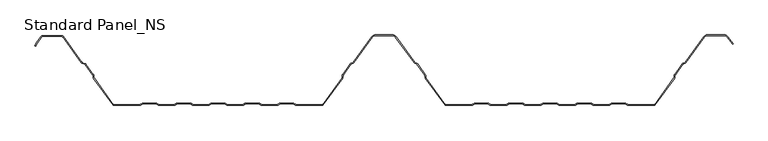
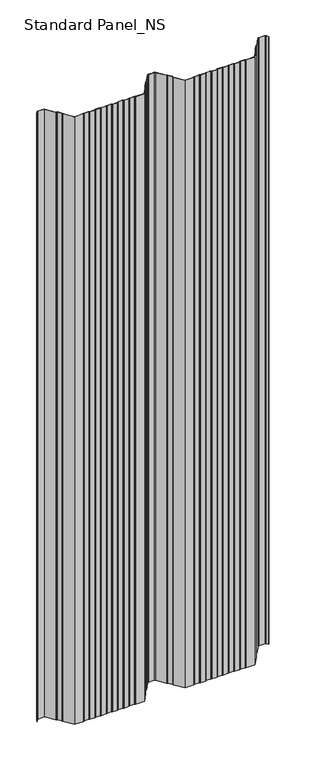
"""IFC4 building model written with IfcOpenShell, lengths in millimetres: proxy geometry, Standard Panel_NS."""

from ifc_helpers import new_model, si_unit, point, frame, frame_2d, origin, place, context, project, spatial, polyline, circle_curve, trimmed, segment, composite_curve, outline, extrude, source, transform, mapped, element, save


def standard_panel_ns_ff594134(model_context):
    return source(origin(), model_context, "Body", "SweptSolid", [
        extrude(outline(composite_curve([segment(trimmed(circle_curve(frame_2d((-489.5977663, 97.2513951)), 2.7486049), [point((-491.8230655, 98.864737))], [point((-489.5977663, 100.0))], False, "CARTESIAN"), True, "CONTINUOUS"), segment(polyline([(-489.5977663, 100.0), (-462.4022334, 100.0)]), True, "CONTINUOUS"), segment(trimmed(circle_curve(frame_2d((-462.4022334, 97.2513951)), 2.7486049), [point((-462.4022334, 100.0))], [point((-460.1769342, 98.864737))], False, "CARTESIAN"), True, "CONTINUOUS"), segment(polyline([(-460.1769342, 98.864737), (-433.3812186, 61.9051293)]), True, "CONTINUOUS"), segment(trimmed(circle_curve(frame_2d((-431.9655298, 62.9315037)), 1.7486049), [point((-433.3812186, 61.9051293))], [point((-432.574124, 61.2922257))], True, "CARTESIAN"), True, "CONTINUOUS"), segment(polyline([(-432.574124, 61.2922257), (-428.7804508, 59.8837962)]), True, "CONTINUOUS"), segment(trimmed(circle_curve(frame_2d((-429.7370906, 57.3070406)), 2.7486049), [point((-428.7804508, 59.8837962))], [point((-427.5117914, 58.9203825))], False, "CARTESIAN"), True, "CONTINUOUS"), segment(polyline([(-427.5117914, 58.9203825), (-416.762254, 44.0934344)]), True, "CONTINUOUS"), segment(trimmed(circle_curve(frame_2d((-418.9875532, 42.4800924)), 2.7486049), [point((-416.762254, 44.0934344))], [point((-416.2410712, 42.5881001))], False, "CARTESIAN"), True, "CONTINUOUS"), segment(polyline([(-416.2410712, 42.5881001), (-416.1528959, 40.3459275)]), True, "CONTINUOUS"), segment(trimmed(circle_curve(frame_2d((-414.4056416, 40.4146398)), 1.7486049), [point((-416.1528959, 40.3459275))], [point((-415.8213303, 39.3882654))], True, "CARTESIAN"), True, "CONTINUOUS"), segment(polyline([(-415.8213303, 39.3882654), (-387.9898379, 1.0), (-350.1655438, 1.0)]), True, "CONTINUOUS"), segment(trimmed(circle_curve(frame_2d((-350.1655438, 2.7486049)), 1.7486049), [point((-350.1655438, 1.0))], [point((-349.1955923, 1.2936777))], True, "CARTESIAN"), True, "CONTINUOUS"), segment(polyline([(-349.1955923, 1.2936777), (-347.3285499, 2.5383726)]), True, "CONTINUOUS"), segment(trimmed(circle_curve(frame_2d((-345.8038982, 0.2513951)), 2.7486049), [point((-347.3285499, 2.5383726))], [point((-345.8038982, 3.0))], False, "CARTESIAN"), True, "CONTINUOUS"), segment(polyline([(-345.8038982, 3.0), (-326.8627681, 3.0)]), True, "CONTINUOUS"), segment(trimmed(circle_curve(frame_2d((-326.8627681, 0.2513951)), 2.7486049), [point((-326.8627681, 3.0))], [point((-325.3381165, 2.5383726))], False, "CARTESIAN"), True, "CONTINUOUS"), segment(polyline([(-325.3381165, 2.5383726), (-323.4710741, 1.2936777)]), True, "CONTINUOUS"), segment(trimmed(circle_curve(frame_2d((-322.5011226, 2.7486049)), 1.7486049), [point((-323.4710741, 1.2936777))], [point((-322.5011226, 1.0))], True, "CARTESIAN"), True, "CONTINUOUS"), segment(polyline([(-322.5011226, 1.0), (-300.9988771, 1.0)]), True, "CONTINUOUS"), segment(trimmed(circle_curve(frame_2d((-300.9988771, 2.7486049)), 1.7486049), [point((-300.9988771, 1.0))], [point((-300.0289256, 1.2936777))], True, "CARTESIAN"), True, "CONTINUOUS"), segment(polyline([(-300.0289256, 1.2936777), (-298.1618832, 2.5383726)]), True, "CONTINUOUS"), segment(trimmed(circle_curve(frame_2d((-296.6372316, 0.2513951)), 2.7486049), [point((-298.1618832, 2.5383726))], [point((-296.6372316, 3.0))], False, "CARTESIAN"), True, "CONTINUOUS"), segment(polyline([(-296.6372316, 3.0), (-277.6961015, 3.0)]), True, "CONTINUOUS"), segment(trimmed(circle_curve(frame_2d((-277.6961015, 0.2513951)), 2.7486049), [point((-277.6961015, 3.0))], [point((-276.1714498, 2.5383726))], False, "CARTESIAN"), True, "CONTINUOUS"), segment(polyline([(-276.1714498, 2.5383726), (-274.3044074, 1.2936777)]), True, "CONTINUOUS"), segment(trimmed(circle_curve(frame_2d((-273.3344559, 2.7486049)), 1.7486049), [point((-274.3044074, 1.2936777))], [point((-273.3344559, 1.0))], True, "CARTESIAN"), True, "CONTINUOUS"), segment(polyline([(-273.3344559, 1.0), (-251.8322104, 1.0)]), True, "CONTINUOUS"), segment(trimmed(circle_curve(frame_2d((-251.8322104, 2.7486049)), 1.7486049), [point((-251.8322104, 1.0))], [point((-250.862259, 1.2936777))], True, "CARTESIAN"), True, "CONTINUOUS"), segment(polyline([(-250.862259, 1.2936777), (-248.9952166, 2.5383726)]), True, "CONTINUOUS"), segment(trimmed(circle_curve(frame_2d((-247.4705649, 0.2513951)), 2.7486049), [point((-248.9952166, 2.5383726))], [point((-247.4705649, 3.0))], False, "CARTESIAN"), True, "CONTINUOUS"), segment(polyline([(-247.4705649, 3.0), (-228.5294348, 3.0)]), True, "CONTINUOUS"), segment(trimmed(circle_curve(frame_2d((-228.5294348, 0.2513951)), 2.7486049), [point((-228.5294348, 3.0))], [point((-227.0047831, 2.5383726))], False, "CARTESIAN"), True, "CONTINUOUS"), segment(polyline([(-227.0047831, 2.5383726), (-225.1377407, 1.2936777)]), True, "CONTINUOUS"), segment(trimmed(circle_curve(frame_2d((-224.1677892, 2.7486049)), 1.7486049), [point((-225.1377407, 1.2936777))], [point((-224.1677892, 1.0))], True, "CARTESIAN"), True, "CONTINUOUS"), segment(polyline([(-224.1677892, 1.0), (-202.6655438, 1.0)]), True, "CONTINUOUS"), segment(trimmed(circle_curve(frame_2d((-202.6655438, 2.7486049)), 1.7486049), [point((-202.6655438, 1.0))], [point((-201.6955923, 1.2936777))], True, "CARTESIAN"), True, "CONTINUOUS"), segment(polyline([(-201.6955923, 1.2936777), (-199.8285499, 2.5383726)]), True, "CONTINUOUS"), segment(trimmed(circle_curve(frame_2d((-198.3038982, 0.2513951)), 2.7486049), [point((-199.8285499, 2.5383726))], [point((-198.3038982, 3.0))], False, "CARTESIAN"), True, "CONTINUOUS"), segment(polyline([(-198.3038982, 3.0), (-179.3627681, 3.0)]), True, "CONTINUOUS"), segment(trimmed(circle_curve(frame_2d((-179.3627681, 0.2513951)), 2.7486049), [point((-179.3627681, 3.0))], [point((-177.8381165, 2.5383726))], False, "CARTESIAN"), True, "CONTINUOUS"), segment(polyline([(-177.8381165, 2.5383726), (-175.9710741, 1.2936777)]), True, "CONTINUOUS"), segment(trimmed(circle_curve(frame_2d((-175.0011226, 2.7486049)), 1.7486049), [point((-175.9710741, 1.2936777))], [point((-175.0011226, 1.0))], True, "CARTESIAN"), True, "CONTINUOUS"), segment(polyline([(-175.0011226, 1.0), (-153.4988771, 1.0)]), True, "CONTINUOUS"), segment(trimmed(circle_curve(frame_2d((-153.4988771, 2.7486049)), 1.7486049), [point((-153.4988771, 1.0))], [point((-152.5289256, 1.2936777))], True, "CARTESIAN"), True, "CONTINUOUS"), segment(polyline([(-152.5289256, 1.2936777), (-150.6618832, 2.5383726)]), True, "CONTINUOUS"), segment(trimmed(circle_curve(frame_2d((-149.1372316, 0.2513951)), 2.7486049), [point((-150.6618832, 2.5383726))], [point((-149.1372316, 3.0))], False, "CARTESIAN"), True, "CONTINUOUS"), segment(polyline([(-149.1372316, 3.0), (-130.1961015, 3.0)]), True, "CONTINUOUS"), segment(trimmed(circle_curve(frame_2d((-130.1961015, 0.2513951)), 2.7486049), [point((-130.1961015, 3.0))], [point((-128.6714498, 2.5383726))], False, "CARTESIAN"), True, "CONTINUOUS"), segment(polyline([(-128.6714498, 2.5383726), (-126.8044074, 1.2936777)]), True, "CONTINUOUS"), segment(trimmed(circle_curve(frame_2d((-125.8344559, 2.7486049)), 1.7486049), [point((-126.8044074, 1.2936777))], [point((-125.8344559, 1.0))], True, "CARTESIAN"), True, "CONTINUOUS"), segment(polyline([(-125.8344559, 1.0), (-88.0101618, 1.0), (-60.1786694, 39.3882654)]), True, "CONTINUOUS"), segment(trimmed(circle_curve(frame_2d((-61.5943581, 40.4146398)), 1.7486049), [point((-60.1786694, 39.3882654))], [point((-59.8471038, 40.3459275))], True, "CARTESIAN"), True, "CONTINUOUS"), segment(polyline([(-59.8471038, 40.3459275), (-59.7589285, 42.5881001)]), True, "CONTINUOUS"), segment(trimmed(circle_curve(frame_2d((-57.0124465, 42.4800924)), 2.7486049), [point((-59.7589285, 42.5881001))], [point((-59.2377457, 44.0934344))], False, "CARTESIAN"), True, "CONTINUOUS"), segment(polyline([(-59.2377457, 44.0934344), (-48.1199166, 59.4283711)]), True, "CONTINUOUS"), segment(trimmed(circle_curve(frame_2d((-45.8946174, 57.8150291)), 2.7486049), [point((-48.1199166, 59.4283711))], [point((-46.8512572, 60.3917847))], False, "CARTESIAN"), True, "CONTINUOUS"), segment(polyline([(-46.8512572, 60.3917847), (-44.7476458, 61.1727662)]), True, "CONTINUOUS"), segment(trimmed(circle_curve(frame_2d((-45.35624, 62.8120441)), 1.7486049), [point((-44.7476458, 61.1727662))], [point((-43.9405512, 61.7856697))], True, "CARTESIAN"), True, "CONTINUOUS"), segment(polyline([(-43.9405512, 61.7856697), (-17.3068528, 98.5218054)]), True, "CONTINUOUS"), segment(trimmed(circle_curve(frame_2d((-12.4491902, 95.0)), 6.0), [point((-17.3068528, 98.5218054))], [point((-12.4491902, 101.0))], False, "CARTESIAN"), True, "CONTINUOUS"), segment(polyline([(-12.4491902, 101.0), (12.4491905, 101.0)]), True, "CONTINUOUS"), segment(trimmed(circle_curve(frame_2d((12.4491905, 95.0)), 6.0), [point((12.4491905, 101.0))], [point((17.3068531, 98.5218054))], False, "CARTESIAN"), True, "CONTINUOUS"), segment(polyline([(17.3068531, 98.5218054), (43.9405515, 61.7856697)]), True, "CONTINUOUS"), segment(trimmed(circle_curve(frame_2d((45.3562403, 62.8120441)), 1.7486049), [point((43.9405515, 61.7856697))], [point((44.7476461, 61.1727662))], True, "CARTESIAN"), True, "CONTINUOUS"), segment(polyline([(44.7476461, 61.1727662), (46.8512575, 60.3917847)]), True, "CONTINUOUS"), segment(trimmed(circle_curve(frame_2d((45.8946177, 57.8150291)), 2.7486049), [point((46.8512575, 60.3917847))], [point((48.1199169, 59.4283711))], False, "CARTESIAN"), True, "CONTINUOUS"), segment(polyline([(48.1199169, 59.4283711), (59.237746, 44.0934344)]), True, "CONTINUOUS"), segment(trimmed(circle_curve(frame_2d((57.0124468, 42.4800924)), 2.7486049), [point((59.237746, 44.0934344))], [point((59.7589288, 42.5881001))], False, "CARTESIAN"), True, "CONTINUOUS"), segment(polyline([(59.7589288, 42.5881001), (59.8471041, 40.3459275)]), True, "CONTINUOUS"), segment(trimmed(circle_curve(frame_2d((61.5943584, 40.4146398)), 1.7486049), [point((59.8471041, 40.3459275))], [point((60.1786697, 39.3882654))], True, "CARTESIAN"), True, "CONTINUOUS"), segment(polyline([(60.1786697, 39.3882654), (88.0101621, 1.0), (125.8344562, 1.0)]), True, "CONTINUOUS"), segment(trimmed(circle_curve(frame_2d((125.8344562, 2.7486049)), 1.7486049), [point((125.8344562, 1.0))], [point((126.8044077, 1.2936777))], True, "CARTESIAN"), True, "CONTINUOUS"), segment(polyline([(126.8044077, 1.2936777), (128.6714501, 2.5383726)]), True, "CONTINUOUS"), segment(trimmed(circle_curve(frame_2d((130.1961018, 0.2513951)), 2.7486049), [point((128.6714501, 2.5383726))], [point((130.1961018, 3.0))], False, "CARTESIAN"), True, "CONTINUOUS"), segment(polyline([(130.1961018, 3.0), (149.1372319, 3.0)]), True, "CONTINUOUS"), segment(trimmed(circle_curve(frame_2d((149.1372319, 0.2513951)), 2.7486049), [point((149.1372319, 3.0))], [point((150.6618835, 2.5383726))], False, "CARTESIAN"), True, "CONTINUOUS"), segment(polyline([(150.6618835, 2.5383726), (152.5289259, 1.2936777)]), True, "CONTINUOUS"), segment(trimmed(circle_curve(frame_2d((153.4988774, 2.7486049)), 1.7486049), [point((152.5289259, 1.2936777))], [point((153.4988774, 1.0))], True, "CARTESIAN"), True, "CONTINUOUS"), segment(polyline([(153.4988774, 1.0), (175.0011229, 1.0)]), True, "CONTINUOUS"), segment(trimmed(circle_curve(frame_2d((175.0011229, 2.7486049)), 1.7486049), [point((175.0011229, 1.0))], [point((175.9710744, 1.2936777))], True, "CARTESIAN"), True, "CONTINUOUS"), segment(polyline([(175.9710744, 1.2936777), (177.8381168, 2.5383726)]), True, "CONTINUOUS"), segment(trimmed(circle_curve(frame_2d((179.3627684, 0.2513951)), 2.7486049), [point((177.8381168, 2.5383726))], [point((179.3627684, 3.0))], False, "CARTESIAN"), True, "CONTINUOUS"), segment(polyline([(179.3627684, 3.0), (198.3038985, 3.0)]), True, "CONTINUOUS"), segment(trimmed(circle_curve(frame_2d((198.3038985, 0.2513951)), 2.7486049), [point((198.3038985, 3.0))], [point((199.8285502, 2.5383726))], False, "CARTESIAN"), True, "CONTINUOUS"), segment(polyline([(199.8285502, 2.5383726), (201.6955926, 1.2936777)]), True, "CONTINUOUS"), segment(trimmed(circle_curve(frame_2d((202.6655441, 2.7486049)), 1.7486049), [point((201.6955926, 1.2936777))], [point((202.6655441, 1.0))], True, "CARTESIAN"), True, "CONTINUOUS"), segment(polyline([(202.6655441, 1.0), (224.1677896, 1.0)]), True, "CONTINUOUS"), segment(trimmed(circle_curve(frame_2d((224.1677896, 2.7486049)), 1.7486049), [point((224.1677896, 1.0))], [point((225.137741, 1.2936777))], True, "CARTESIAN"), True, "CONTINUOUS"), segment(polyline([(225.137741, 1.2936777), (227.0047834, 2.5383726)]), True, "CONTINUOUS"), segment(trimmed(circle_curve(frame_2d((228.5294351, 0.2513951)), 2.7486049), [point((227.0047834, 2.5383726))], [point((228.5294351, 3.0))], False, "CARTESIAN"), True, "CONTINUOUS"), segment(polyline([(228.5294351, 3.0), (247.4705652, 3.0)]), True, "CONTINUOUS"), segment(trimmed(circle_curve(frame_2d((247.4705652, 0.2513951)), 2.7486049), [point((247.4705652, 3.0))], [point((248.9952169, 2.5383726))], False, "CARTESIAN"), True, "CONTINUOUS"), segment(polyline([(248.9952169, 2.5383726), (250.8622593, 1.2936777)]), True, "CONTINUOUS"), segment(trimmed(circle_curve(frame_2d((251.8322108, 2.7486049)), 1.7486049), [point((250.8622593, 1.2936777))], [point((251.8322108, 1.0))], True, "CARTESIAN"), True, "CONTINUOUS"), segment(polyline([(251.8322108, 1.0), (273.3344562, 1.0)]), True, "CONTINUOUS"), segment(trimmed(circle_curve(frame_2d((273.3344562, 2.7486049)), 1.7486049), [point((273.3344562, 1.0))], [point((274.3044077, 1.2936777))], True, "CARTESIAN"), True, "CONTINUOUS"), segment(polyline([(274.3044077, 1.2936777), (276.1714501, 2.5383726)]), True, "CONTINUOUS"), segment(trimmed(circle_curve(frame_2d((277.6961018, 0.2513951)), 2.7486049), [point((276.1714501, 2.5383726))], [point((277.6961018, 3.0))], False, "CARTESIAN"), True, "CONTINUOUS"), segment(polyline([(277.6961018, 3.0), (296.6372319, 3.0)]), True, "CONTINUOUS"), segment(trimmed(circle_curve(frame_2d((296.6372319, 0.2513951)), 2.7486049), [point((296.6372319, 3.0))], [point((298.1618835, 2.5383726))], False, "CARTESIAN"), True, "CONTINUOUS"), segment(polyline([(298.1618835, 2.5383726), (300.0289259, 1.2936777)]), True, "CONTINUOUS"), segment(trimmed(circle_curve(frame_2d((300.9988774, 2.7486049)), 1.7486049), [point((300.0289259, 1.2936777))], [point((300.9988774, 1.0))], True, "CARTESIAN"), True, "CONTINUOUS"), segment(polyline([(300.9988774, 1.0), (322.5011229, 1.0)]), True, "CONTINUOUS"), segment(trimmed(circle_curve(frame_2d((322.5011229, 2.7486049)), 1.7486049), [point((322.5011229, 1.0))], [point((323.4710744, 1.2936777))], True, "CARTESIAN"), True, "CONTINUOUS"), segment(polyline([(323.4710744, 1.2936777), (325.3381168, 2.5383726)]), True, "CONTINUOUS"), segment(trimmed(circle_curve(frame_2d((326.8627684, 0.2513951)), 2.7486049), [point((325.3381168, 2.5383726))], [point((326.8627684, 3.0))], False, "CARTESIAN"), True, "CONTINUOUS"), segment(polyline([(326.8627684, 3.0), (345.8038985, 3.0)]), True, "CONTINUOUS"), segment(trimmed(circle_curve(frame_2d((345.8038985, 0.2513951)), 2.7486049), [point((345.8038985, 3.0))], [point((347.3285502, 2.5383726))], False, "CARTESIAN"), True, "CONTINUOUS"), segment(polyline([(347.3285502, 2.5383726), (349.1955926, 1.2936777)]), True, "CONTINUOUS"), segment(trimmed(circle_curve(frame_2d((350.1655441, 2.7486049)), 1.7486049), [point((349.1955926, 1.2936777))], [point((350.1655441, 1.0))], True, "CARTESIAN"), True, "CONTINUOUS"), segment(polyline([(350.1655441, 1.0), (387.9898382, 1.0), (415.8213306, 39.3882654)]), True, "CONTINUOUS"), segment(trimmed(circle_curve(frame_2d((414.4056419, 40.4146398)), 1.7486049), [point((415.8213306, 39.3882654))], [point((416.1528962, 40.3459275))], True, "CARTESIAN"), True, "CONTINUOUS"), segment(polyline([(416.1528962, 40.3459275), (416.2410715, 42.5881001)]), True, "CONTINUOUS"), segment(trimmed(circle_curve(frame_2d((418.9875535, 42.4800924)), 2.7486049), [point((416.2410715, 42.5881001))], [point((416.7622543, 44.0934344))], False, "CARTESIAN"), True, "CONTINUOUS"), segment(polyline([(416.7622543, 44.0934344), (427.8800834, 59.4283711)]), True, "CONTINUOUS"), segment(trimmed(circle_curve(frame_2d((430.1053826, 57.8150291)), 2.7486049), [point((427.8800834, 59.4283711))], [point((429.1487428, 60.3917847))], False, "CARTESIAN"), True, "CONTINUOUS"), segment(polyline([(429.1487428, 60.3917847), (431.2523542, 61.1727662)]), True, "CONTINUOUS"), segment(trimmed(circle_curve(frame_2d((430.64376, 62.8120441)), 1.7486049), [point((431.2523542, 61.1727662))], [point((432.0594488, 61.7856697))], True, "CARTESIAN"), True, "CONTINUOUS"), segment(polyline([(432.0594488, 61.7856697), (458.6931472, 98.5218054)]), True, "CONTINUOUS"), segment(trimmed(circle_curve(frame_2d((463.5508098, 95.0)), 6.0), [point((458.6931472, 98.5218054))], [point((463.5508098, 101.0))], False, "CARTESIAN"), True, "CONTINUOUS"), segment(polyline([(463.5508098, 101.0), (488.4491905, 101.0)]), True, "CONTINUOUS"), segment(trimmed(circle_curve(frame_2d((488.4491905, 95.0)), 6.0), [point((488.4491905, 101.0))], [point((493.3068531, 98.5218054))], False, "CARTESIAN"), True, "CONTINUOUS"), segment(polyline([(493.3068531, 98.5218054), (500.6141242, 88.4428109), (499.8045137, 87.8558433), (492.4972427, 97.9348379)]), True, "CONTINUOUS"), segment(trimmed(circle_curve(frame_2d((488.4491905, 95.0)), 5.0), [point((492.4972427, 97.9348379))], [point((488.4491905, 100.0))], True, "CARTESIAN"), True, "CONTINUOUS"), segment(polyline([(488.4491905, 100.0), (463.5508098, 100.0)]), True, "CONTINUOUS"), segment(trimmed(circle_curve(frame_2d((463.5508098, 95.0)), 5.0), [point((463.5508098, 100.0))], [point((459.5027576, 97.9348379))], True, "CARTESIAN"), True, "CONTINUOUS"), segment(polyline([(459.5027576, 97.9348379), (432.8690592, 61.1987022)]), True, "CONTINUOUS"), segment(trimmed(circle_curve(frame_2d((430.64376, 62.8120441)), 2.7486049), [point((432.8690592, 61.1987022))], [point((431.6003998, 60.2352885))], False, "CARTESIAN"), True, "CONTINUOUS"), segment(polyline([(431.6003998, 60.2352885), (429.4967884, 59.4543071)]), True, "CONTINUOUS"), segment(trimmed(circle_curve(frame_2d((430.1053826, 57.8150291)), 1.7486049), [point((429.4967884, 59.4543071))], [point((428.6896938, 58.8414035))], True, "CARTESIAN"), True, "CONTINUOUS"), segment(polyline([(428.6896938, 58.8414035), (417.5718647, 43.5064668)]), True, "CONTINUOUS"), segment(trimmed(circle_curve(frame_2d((418.9875535, 42.4800924)), 1.7486049), [point((417.5718647, 43.5064668))], [point((417.2402992, 42.5488047))], True, "CARTESIAN"), True, "CONTINUOUS"), segment(polyline([(417.2402992, 42.5488047), (417.1521238, 40.3066321)]), True, "CONTINUOUS"), segment(trimmed(circle_curve(frame_2d((414.4056419, 40.4146398)), 2.7486049), [point((417.1521238, 40.3066321))], [point((416.6309411, 38.8012978))], False, "CARTESIAN"), True, "CONTINUOUS"), segment(polyline([(416.6309411, 38.8012978), (388.5000002, 0.0), (350.1655441, 0.0)]), True, "CONTINUOUS"), segment(trimmed(circle_curve(frame_2d((350.1655441, 2.7486049)), 2.7486049), [point((350.1655441, 0.0))], [point((348.6408924, 0.4616274))], False, "CARTESIAN"), True, "CONTINUOUS"), segment(polyline([(348.6408924, 0.4616274), (346.77385, 1.7063223)]), True, "CONTINUOUS"), segment(trimmed(circle_curve(frame_2d((345.8038985, 0.2513951)), 1.7486049), [point((346.77385, 1.7063223))], [point((345.8038985, 2.0))], True, "CARTESIAN"), True, "CONTINUOUS"), segment(polyline([(345.8038985, 2.0), (326.8627684, 2.0)]), True, "CONTINUOUS"), segment(trimmed(circle_curve(frame_2d((326.8627684, 0.2513951)), 1.7486049), [point((326.8627684, 2.0))], [point((325.892817, 1.7063223))], True, "CARTESIAN"), True, "CONTINUOUS"), segment(polyline([(325.892817, 1.7063223), (324.0257746, 0.4616274)]), True, "CONTINUOUS"), segment(trimmed(circle_curve(frame_2d((322.5011229, 2.7486049)), 2.7486049), [point((324.0257746, 0.4616274))], [point((322.5011229, 0.0))], False, "CARTESIAN"), True, "CONTINUOUS"), segment(polyline([(322.5011229, 0.0), (300.9988774, 0.0)]), True, "CONTINUOUS"), segment(trimmed(circle_curve(frame_2d((300.9988774, 2.7486049)), 2.7486049), [point((300.9988774, 0.0))], [point((299.4742257, 0.4616274))], False, "CARTESIAN"), True, "CONTINUOUS"), segment(polyline([(299.4742257, 0.4616274), (297.6071833, 1.7063223)]), True, "CONTINUOUS"), segment(trimmed(circle_curve(frame_2d((296.6372319, 0.2513951)), 1.7486049), [point((297.6071833, 1.7063223))], [point((296.6372319, 2.0))], True, "CARTESIAN"), True, "CONTINUOUS"), segment(polyline([(296.6372319, 2.0), (277.6961018, 2.0)]), True, "CONTINUOUS"), segment(trimmed(circle_curve(frame_2d((277.6961018, 0.2513951)), 1.7486049), [point((277.6961018, 2.0))], [point((276.7261503, 1.7063223))], True, "CARTESIAN"), True, "CONTINUOUS"), segment(polyline([(276.7261503, 1.7063223), (274.8591079, 0.4616274)]), True, "CONTINUOUS"), segment(trimmed(circle_curve(frame_2d((273.3344562, 2.7486049)), 2.7486049), [point((274.8591079, 0.4616274))], [point((273.3344562, 0.0))], False, "CARTESIAN"), True, "CONTINUOUS"), segment(polyline([(273.3344562, 0.0), (251.8322108, 0.0)]), True, "CONTINUOUS"), segment(trimmed(circle_curve(frame_2d((251.8322108, 2.7486049)), 2.7486049), [point((251.8322108, 0.0))], [point((250.3075591, 0.4616274))], False, "CARTESIAN"), True, "CONTINUOUS"), segment(polyline([(250.3075591, 0.4616274), (248.4405167, 1.7063223)]), True, "CONTINUOUS"), segment(trimmed(circle_curve(frame_2d((247.4705652, 0.2513951)), 1.7486049), [point((248.4405167, 1.7063223))], [point((247.4705652, 2.0))], True, "CARTESIAN"), True, "CONTINUOUS"), segment(polyline([(247.4705652, 2.0), (228.5294351, 2.0)]), True, "CONTINUOUS"), segment(trimmed(circle_curve(frame_2d((228.5294351, 0.2513951)), 1.7486049), [point((228.5294351, 2.0))], [point((227.5594836, 1.7063223))], True, "CARTESIAN"), True, "CONTINUOUS"), segment(polyline([(227.5594836, 1.7063223), (225.6924412, 0.4616274)]), True, "CONTINUOUS"), segment(trimmed(circle_curve(frame_2d((224.1677896, 2.7486049)), 2.7486049), [point((225.6924412, 0.4616274))], [point((224.1677896, 0.0))], False, "CARTESIAN"), True, "CONTINUOUS"), segment(polyline([(224.1677896, 0.0), (202.6655441, 0.0)]), True, "CONTINUOUS"), segment(trimmed(circle_curve(frame_2d((202.6655441, 2.7486049)), 2.7486049), [point((202.6655441, 0.0))], [point((201.1408924, 0.4616274))], False, "CARTESIAN"), True, "CONTINUOUS"), segment(polyline([(201.1408924, 0.4616274), (199.27385, 1.7063223)]), True, "CONTINUOUS"), segment(trimmed(circle_curve(frame_2d((198.3038985, 0.2513951)), 1.7486049), [point((199.27385, 1.7063223))], [point((198.3038985, 2.0))], True, "CARTESIAN"), True, "CONTINUOUS"), segment(polyline([(198.3038985, 2.0), (179.3627684, 2.0)]), True, "CONTINUOUS"), segment(trimmed(circle_curve(frame_2d((179.3627684, 0.2513951)), 1.7486049), [point((179.3627684, 2.0))], [point((178.392817, 1.7063223))], True, "CARTESIAN"), True, "CONTINUOUS"), segment(polyline([(178.392817, 1.7063223), (176.5257746, 0.4616274)]), True, "CONTINUOUS"), segment(trimmed(circle_curve(frame_2d((175.0011229, 2.7486049)), 2.7486049), [point((176.5257746, 0.4616274))], [point((175.0011229, 0.0))], False, "CARTESIAN"), True, "CONTINUOUS"), segment(polyline([(175.0011229, 0.0), (153.4988774, 0.0)]), True, "CONTINUOUS"), segment(trimmed(circle_curve(frame_2d((153.4988774, 2.7486049)), 2.7486049), [point((153.4988774, 0.0))], [point((151.9742257, 0.4616274))], False, "CARTESIAN"), True, "CONTINUOUS"), segment(polyline([(151.9742257, 0.4616274), (150.1071833, 1.7063223)]), True, "CONTINUOUS"), segment(trimmed(circle_curve(frame_2d((149.1372319, 0.2513951)), 1.7486049), [point((150.1071833, 1.7063223))], [point((149.1372319, 2.0))], True, "CARTESIAN"), True, "CONTINUOUS"), segment(polyline([(149.1372319, 2.0), (130.1961018, 2.0)]), True, "CONTINUOUS"), segment(trimmed(circle_curve(frame_2d((130.1961018, 0.2513951)), 1.7486049), [point((130.1961018, 2.0))], [point((129.2261503, 1.7063223))], True, "CARTESIAN"), True, "CONTINUOUS"), segment(polyline([(129.2261503, 1.7063223), (127.3591079, 0.4616274)]), True, "CONTINUOUS"), segment(trimmed(circle_curve(frame_2d((125.8344562, 2.7486049)), 2.7486049), [point((127.3591079, 0.4616274))], [point((125.8344562, 0.0))], False, "CARTESIAN"), True, "CONTINUOUS"), segment(polyline([(125.8344562, 0.0), (87.5000002, 0.0), (59.3690592, 38.8012978)]), True, "CONTINUOUS"), segment(trimmed(circle_curve(frame_2d((61.5943584, 40.4146398)), 2.7486049), [point((59.3690592, 38.8012978))], [point((58.8478765, 40.3066321))], False, "CARTESIAN"), True, "CONTINUOUS"), segment(polyline([(58.8478765, 40.3066321), (58.7597011, 42.5488047)]), True, "CONTINUOUS"), segment(trimmed(circle_curve(frame_2d((57.0124468, 42.4800924)), 1.7486049), [point((58.7597011, 42.5488047))], [point((58.4281356, 43.5064668))], True, "CARTESIAN"), True, "CONTINUOUS"), segment(polyline([(58.4281356, 43.5064668), (47.3103065, 58.8414035)]), True, "CONTINUOUS"), segment(trimmed(circle_curve(frame_2d((45.8946177, 57.8150291)), 1.7486049), [point((47.3103065, 58.8414035))], [point((46.5032119, 59.4543071))], True, "CARTESIAN"), True, "CONTINUOUS"), segment(polyline([(46.5032119, 59.4543071), (44.3996005, 60.2352885)]), True, "CONTINUOUS"), segment(trimmed(circle_curve(frame_2d((45.3562403, 62.8120441)), 2.7486049), [point((44.3996005, 60.2352885))], [point((43.1309411, 61.1987022))], False, "CARTESIAN"), True, "CONTINUOUS"), segment(polyline([(43.1309411, 61.1987022), (16.4972427, 97.9348379)]), True, "CONTINUOUS"), segment(trimmed(circle_curve(frame_2d((12.4491905, 95.0)), 5.0), [point((16.4972427, 97.9348379))], [point((12.4491905, 100.0))], True, "CARTESIAN"), True, "CONTINUOUS"), segment(polyline([(12.4491905, 100.0), (-12.4491902, 100.0)]), True, "CONTINUOUS"), segment(trimmed(circle_curve(frame_2d((-12.4491902, 95.0)), 5.0), [point((-12.4491902, 100.0))], [point((-16.4972424, 97.9348379))], True, "CARTESIAN"), True, "CONTINUOUS"), segment(polyline([(-16.4972424, 97.9348379), (-43.1309408, 61.1987022)]), True, "CONTINUOUS"), segment(trimmed(circle_curve(frame_2d((-45.35624, 62.8120441)), 2.7486049), [point((-43.1309408, 61.1987022))], [point((-44.3996002, 60.2352885))], False, "CARTESIAN"), True, "CONTINUOUS"), segment(polyline([(-44.3996002, 60.2352885), (-46.5032116, 59.4543071)]), True, "CONTINUOUS"), segment(trimmed(circle_curve(frame_2d((-45.8946174, 57.8150291)), 1.7486049), [point((-46.5032116, 59.4543071))], [point((-47.3103062, 58.8414035))], True, "CARTESIAN"), True, "CONTINUOUS"), segment(polyline([(-47.3103062, 58.8414035), (-58.4281353, 43.5064668)]), True, "CONTINUOUS"), segment(trimmed(circle_curve(frame_2d((-57.0124465, 42.4800924)), 1.7486049), [point((-58.4281353, 43.5064668))], [point((-58.7597008, 42.5488047))], True, "CARTESIAN"), True, "CONTINUOUS"), segment(polyline([(-58.7597008, 42.5488047), (-58.8478762, 40.3066321)]), True, "CONTINUOUS"), segment(trimmed(circle_curve(frame_2d((-61.5943581, 40.4146398)), 2.7486049), [point((-58.8478762, 40.3066321))], [point((-59.3690589, 38.8012978))], False, "CARTESIAN"), True, "CONTINUOUS"), segment(polyline([(-59.3690589, 38.8012978), (-87.4999998, 0.0), (-125.8344559, 0.0)]), True, "CONTINUOUS"), segment(trimmed(circle_curve(frame_2d((-125.8344559, 2.7486049)), 2.7486049), [point((-125.8344559, 0.0))], [point((-127.3591076, 0.4616274))], False, "CARTESIAN"), True, "CONTINUOUS"), segment(polyline([(-127.3591076, 0.4616274), (-129.22615, 1.7063223)]), True, "CONTINUOUS"), segment(trimmed(circle_curve(frame_2d((-130.1961015, 0.2513951)), 1.7486049), [point((-129.22615, 1.7063223))], [point((-130.1961015, 2.0))], True, "CARTESIAN"), True, "CONTINUOUS"), segment(polyline([(-130.1961015, 2.0), (-149.1372316, 2.0)]), True, "CONTINUOUS"), segment(trimmed(circle_curve(frame_2d((-149.1372316, 0.2513951)), 1.7486049), [point((-149.1372316, 2.0))], [point((-150.107183, 1.7063223))], True, "CARTESIAN"), True, "CONTINUOUS"), segment(polyline([(-150.107183, 1.7063223), (-151.9742254, 0.4616274)]), True, "CONTINUOUS"), segment(trimmed(circle_curve(frame_2d((-153.4988771, 2.7486049)), 2.7486049), [point((-151.9742254, 0.4616274))], [point((-153.4988771, 0.0))], False, "CARTESIAN"), True, "CONTINUOUS"), segment(polyline([(-153.4988771, 0.0), (-175.0011226, 0.0)]), True, "CONTINUOUS"), segment(trimmed(circle_curve(frame_2d((-175.0011226, 2.7486049)), 2.7486049), [point((-175.0011226, 0.0))], [point((-176.5257743, 0.4616274))], False, "CARTESIAN"), True, "CONTINUOUS"), segment(polyline([(-176.5257743, 0.4616274), (-178.3928167, 1.7063223)]), True, "CONTINUOUS"), segment(trimmed(circle_curve(frame_2d((-179.3627681, 0.2513951)), 1.7486049), [point((-178.3928167, 1.7063223))], [point((-179.3627681, 2.0))], True, "CARTESIAN"), True, "CONTINUOUS"), segment(polyline([(-179.3627681, 2.0), (-198.3038982, 2.0)]), True, "CONTINUOUS"), segment(trimmed(circle_curve(frame_2d((-198.3038982, 0.2513951)), 1.7486049), [point((-198.3038982, 2.0))], [point((-199.2738497, 1.7063223))], True, "CARTESIAN"), True, "CONTINUOUS"), segment(polyline([(-199.2738497, 1.7063223), (-201.1408921, 0.4616274)]), True, "CONTINUOUS"), segment(trimmed(circle_curve(frame_2d((-202.6655438, 2.7486049)), 2.7486049), [point((-201.1408921, 0.4616274))], [point((-202.6655438, 0.0))], False, "CARTESIAN"), True, "CONTINUOUS"), segment(polyline([(-202.6655438, 0.0), (-224.1677892, 0.0)]), True, "CONTINUOUS"), segment(trimmed(circle_curve(frame_2d((-224.1677892, 2.7486049)), 2.7486049), [point((-224.1677892, 0.0))], [point((-225.6924409, 0.4616274))], False, "CARTESIAN"), True, "CONTINUOUS"), segment(polyline([(-225.6924409, 0.4616274), (-227.5594833, 1.7063223)]), True, "CONTINUOUS"), segment(trimmed(circle_curve(frame_2d((-228.5294348, 0.2513951)), 1.7486049), [point((-227.5594833, 1.7063223))], [point((-228.5294348, 2.0))], True, "CARTESIAN"), True, "CONTINUOUS"), segment(polyline([(-228.5294348, 2.0), (-247.4705649, 2.0)]), True, "CONTINUOUS"), segment(trimmed(circle_curve(frame_2d((-247.4705649, 0.2513951)), 1.7486049), [point((-247.4705649, 2.0))], [point((-248.4405164, 1.7063223))], True, "CARTESIAN"), True, "CONTINUOUS"), segment(polyline([(-248.4405164, 1.7063223), (-250.3075588, 0.4616274)]), True, "CONTINUOUS"), segment(trimmed(circle_curve(frame_2d((-251.8322104, 2.7486049)), 2.7486049), [point((-250.3075588, 0.4616274))], [point((-251.8322104, 0.0))], False, "CARTESIAN"), True, "CONTINUOUS"), segment(polyline([(-251.8322104, 0.0), (-273.3344559, 0.0)]), True, "CONTINUOUS"), segment(trimmed(circle_curve(frame_2d((-273.3344559, 2.7486049)), 2.7486049), [point((-273.3344559, 0.0))], [point((-274.8591076, 0.4616274))], False, "CARTESIAN"), True, "CONTINUOUS"), segment(polyline([(-274.8591076, 0.4616274), (-276.72615, 1.7063223)]), True, "CONTINUOUS"), segment(trimmed(circle_curve(frame_2d((-277.6961015, 0.2513951)), 1.7486049), [point((-276.72615, 1.7063223))], [point((-277.6961015, 2.0))], True, "CARTESIAN"), True, "CONTINUOUS"), segment(polyline([(-277.6961015, 2.0), (-296.6372316, 2.0)]), True, "CONTINUOUS"), segment(trimmed(circle_curve(frame_2d((-296.6372316, 0.2513951)), 1.7486049), [point((-296.6372316, 2.0))], [point((-297.607183, 1.7063223))], True, "CARTESIAN"), True, "CONTINUOUS"), segment(polyline([(-297.607183, 1.7063223), (-299.4742254, 0.4616274)]), True, "CONTINUOUS"), segment(trimmed(circle_curve(frame_2d((-300.9988771, 2.7486049)), 2.7486049), [point((-299.4742254, 0.4616274))], [point((-300.9988771, 0.0))], False, "CARTESIAN"), True, "CONTINUOUS"), segment(polyline([(-300.9988771, 0.0), (-322.5011226, 0.0)]), True, "CONTINUOUS"), segment(trimmed(circle_curve(frame_2d((-322.5011226, 2.7486049)), 2.7486049), [point((-322.5011226, 0.0))], [point((-324.0257743, 0.4616274))], False, "CARTESIAN"), True, "CONTINUOUS"), segment(polyline([(-324.0257743, 0.4616274), (-325.8928167, 1.7063223)]), True, "CONTINUOUS"), segment(trimmed(circle_curve(frame_2d((-326.8627681, 0.2513951)), 1.7486049), [point((-325.8928167, 1.7063223))], [point((-326.8627681, 2.0))], True, "CARTESIAN"), True, "CONTINUOUS"), segment(polyline([(-326.8627681, 2.0), (-345.8038982, 2.0)]), True, "CONTINUOUS"), segment(trimmed(circle_curve(frame_2d((-345.8038982, 0.2513951)), 1.7486049), [point((-345.8038982, 2.0))], [point((-346.7738497, 1.7063223))], True, "CARTESIAN"), True, "CONTINUOUS"), segment(polyline([(-346.7738497, 1.7063223), (-348.6408921, 0.4616274)]), True, "CONTINUOUS"), segment(trimmed(circle_curve(frame_2d((-350.1655438, 2.7486049)), 2.7486049), [point((-348.6408921, 0.4616274))], [point((-350.1655438, 0.0))], False, "CARTESIAN"), True, "CONTINUOUS"), segment(polyline([(-350.1655438, 0.0), (-388.4999998, 0.0), (-416.6309408, 38.8012978)]), True, "CONTINUOUS"), segment(trimmed(circle_curve(frame_2d((-414.4056416, 40.4146398)), 2.7486049), [point((-416.6309408, 38.8012978))], [point((-417.1521235, 40.3066321))], False, "CARTESIAN"), True, "CONTINUOUS"), segment(polyline([(-417.1521235, 40.3066321), (-417.2402989, 42.5488047)]), True, "CONTINUOUS"), segment(trimmed(circle_curve(frame_2d((-418.9875532, 42.4800924)), 1.7486049), [point((-417.2402989, 42.5488047))], [point((-417.5718644, 43.5064668))], True, "CARTESIAN"), True, "CONTINUOUS"), segment(polyline([(-417.5718644, 43.5064668), (-428.3214018, 58.333415)]), True, "CONTINUOUS"), segment(trimmed(circle_curve(frame_2d((-429.7370906, 57.3070406)), 1.7486049), [point((-428.3214018, 58.333415))], [point((-429.1284964, 58.9463185))], True, "CARTESIAN"), True, "CONTINUOUS"), segment(polyline([(-429.1284964, 58.9463185), (-432.9221696, 60.3547481)]), True, "CONTINUOUS"), segment(trimmed(circle_curve(frame_2d((-431.9655298, 62.9315037)), 2.7486049), [point((-432.9221696, 60.3547481))], [point((-434.190829, 61.3181617))], False, "CARTESIAN"), True, "CONTINUOUS"), segment(polyline([(-434.190829, 61.3181617), (-460.9865447, 98.2777695)]), True, "CONTINUOUS"), segment(trimmed(circle_curve(frame_2d((-462.4022334, 97.2513951)), 1.7486049), [point((-460.9865447, 98.2777695))], [point((-462.4022334, 99.0))], True, "CARTESIAN"), True, "CONTINUOUS"), segment(polyline([(-462.4022334, 99.0), (-489.5977663, 99.0)]), True, "CONTINUOUS"), segment(trimmed(circle_curve(frame_2d((-489.5977663, 97.2513951)), 1.7486049), [point((-489.5977663, 99.0))], [point((-491.013455, 98.2777695))], True, "CARTESIAN"), True, "CONTINUOUS"), segment(polyline([(-491.013455, 98.2777695), (-497.5334488, 89.2846747), (-499.6935694, 84.9550455), (-500.5883843, 85.4014829), (-498.3914548, 89.8048897), (-491.8230655, 98.864737)]), True, "CONTINUOUS")], self_intersect=False)), frame((0.0, 0.0, -250.0), z_axis=(0.0, 0.0, 1.0), x_axis=(1.0, 0.0, 0.0)), (0.0, 0.0, 1.0), 2762.4689053),
    ])


if __name__ == "__main__":
    model = new_model("IFC4")
    model_context = context("Model", 3, world=origin())
    ifc_project = project(units=[si_unit("LENGTHUNIT", "METRE", prefix="MILLI")], contexts=[model_context])
    site = spatial("IfcSite", under=ifc_project)
    building = spatial("IfcBuilding", under=site)
    placement = place(None, origin())
    standard_panel_ns_shape = standard_panel_ns_ff594134(model_context)
    element("IfcBuildingElementProxy", 1, Name="Standard Panel_NS", ObjectType="Standard Panel_NS", at=placement, inside=building, context=model_context, shape_type="MappedRepresentation", body=[
        mapped(standard_panel_ns_shape, transform((0.0, 0.0, 0.0), x_axis=(1.0, 0.0, 0.0), y_axis=(0.0, 1.0, 0.0), z_axis=(0.0, 0.0, 1.0))),
    ])
    save(model, "model.ifc")
